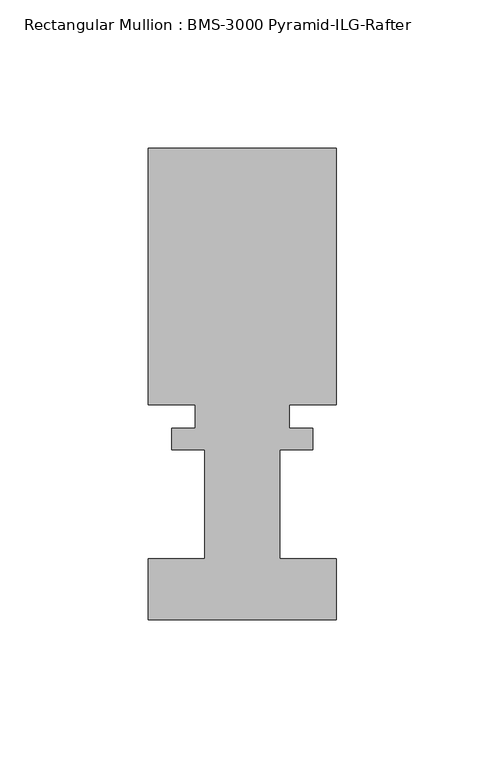
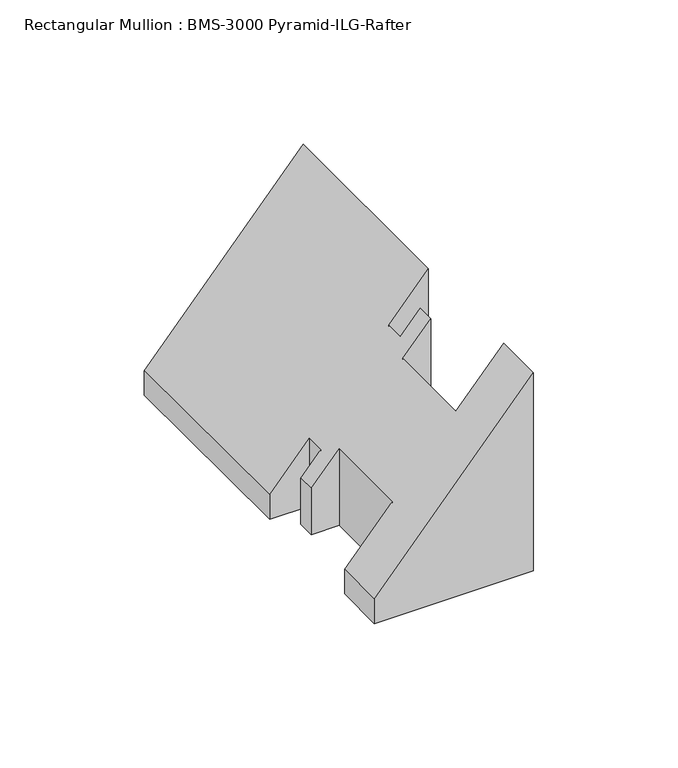
"""IFC4 building model written with IfcOpenShell, lengths in millimetres: member geometry, Rectangular Mullion : BMS-3000 Pyramid-ILG-Rafter."""

from ifc_helpers import new_model, si_unit, origin, place, context, project, spatial, faceted_brep, source, transform, mapped, element, save


def rectangular_mullion_bms_3000_pyramid_ilg_rafter_1f0dfd4b(model_context):
    return source(origin(), model_context, "Body", "Brep", [
        faceted_brep([(23.8252, 61.3362375, -188.6108964), (23.8252, 54.0742188, -188.6108964), (12.7, 54.0742187, -188.6108964), (12.7, 17.3180375, -188.6108964), (31.75, 17.2799375, -188.6108964), (31.75, -3.3575625, -188.6108964), (-31.75, -3.3575625, -188.6108964), (-31.75, 17.3180375, -188.6108964), (-12.7, 17.3180375, -188.6108964), (-12.7, 54.0742188, -188.6108964), (-23.8252, 54.0742187, -188.6108964), (-23.8252, 61.3362375, -188.6108964), (-15.875, 61.3362375, -188.6108964), (-15.875, 69.2356375, -188.6108964), (-31.75, 69.2356375, -188.6108964), (-31.75, 155.7734375, -188.6108964), (31.75, 155.7734375, -188.6108964), (31.75, 69.2356375, -188.6108964), (15.875, 69.2356375, -188.6108964), (15.875, 61.3362375, -188.6108964), (15.875, 61.3362375, -123.3130921), (23.8252, 61.3362375, -114.1329919), (15.875, 69.2356375, -123.3130921), (31.75, 69.2356375, -104.9822211), (31.75, 155.7734375, -104.9822211), (-31.75, 155.7734375, -178.3057053), (-31.75, 69.2356375, -178.3057053), (-15.875, 69.2356375, -159.9748342), (-15.875, 61.3362375, -159.9748342), (-23.8252, 61.3362375, -169.1549344), (-23.8252, 54.0742187, -169.1549344), (-12.7, 54.0742187, -156.30866), (-12.7, 17.3180375, -156.30866), (-31.75, 17.3180375, -178.3057053), (-31.75, -3.3575625, -178.3057053), (31.75, -3.3575625, -104.9822211), (31.75, 17.2799375, -104.9822211), (12.7, 17.3180375, -126.9792663), (12.7, 54.0742187, -126.9792663), (23.8252, 54.0742187, -114.1329919)], [[[0, 1, 2, 3, 4, 5, 6, 7, 8, 9, 10, 11, 12, 13, 14, 15, 16, 17, 18, 19]], [[20, 21, 0, 19]], [[22, 20, 19, 18]], [[23, 22, 18, 17]], [[24, 23, 17, 16]], [[25, 24, 16, 15]], [[26, 25, 15, 14]], [[27, 26, 14, 13]], [[28, 27, 13, 12]], [[29, 28, 12, 11]], [[30, 29, 11, 10]], [[31, 30, 10, 9]], [[32, 31, 9, 8]], [[33, 32, 8, 7]], [[34, 33, 7, 6]], [[35, 34, 6, 5]], [[36, 35, 5, 4]], [[37, 36, 4, 3]], [[38, 37, 3, 2]], [[39, 38, 2, 1]], [[21, 39, 1, 0]], [[21, 20, 22, 23, 24, 25, 26, 27, 28, 29, 30, 31, 32, 33, 34, 35, 36, 37, 38, 39]]]),
    ])


if __name__ == "__main__":
    model = new_model("IFC4")
    model_context = context("Model", 3, world=origin())
    ifc_project = project(units=[si_unit("LENGTHUNIT", "METRE", prefix="MILLI")], contexts=[model_context])
    site = spatial("IfcSite", under=ifc_project)
    building = spatial("IfcBuilding", under=site)
    placement = place(None, origin())
    rectangular_mullion_bms_3000_pyramid_ilg_rafter_shape = rectangular_mullion_bms_3000_pyramid_ilg_rafter_1f0dfd4b(model_context)
    element("IfcMember", 1, ObjectType="Rectangular Mullion : BMS-3000 Pyramid-ILG-Rafter", at=placement, inside=building, context=model_context, shape_type="MappedRepresentation", body=[
        mapped(rectangular_mullion_bms_3000_pyramid_ilg_rafter_shape, transform((0.0, 0.0, 0.0), x_axis=(1.0, 0.0, 0.0), y_axis=(0.0, 1.0, 0.0), z_axis=(0.0, 0.0, 1.0))),
    ])
    save(model, "model.ifc")
